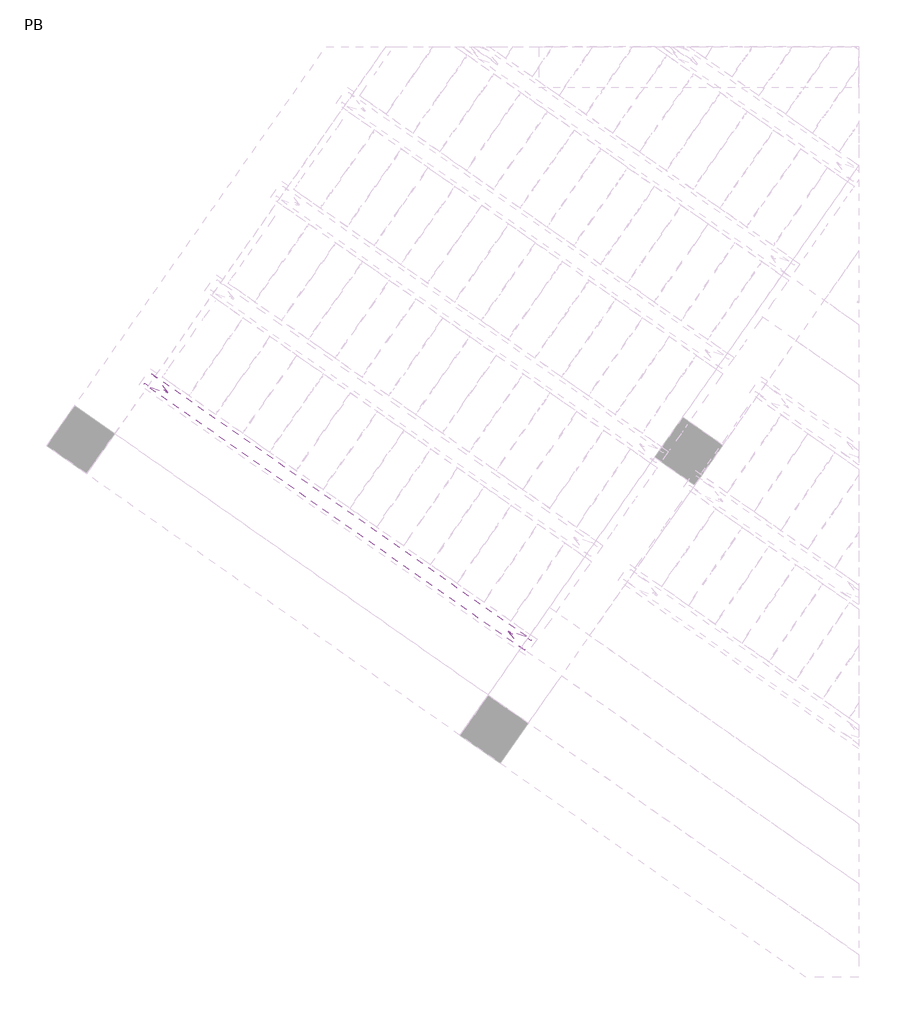
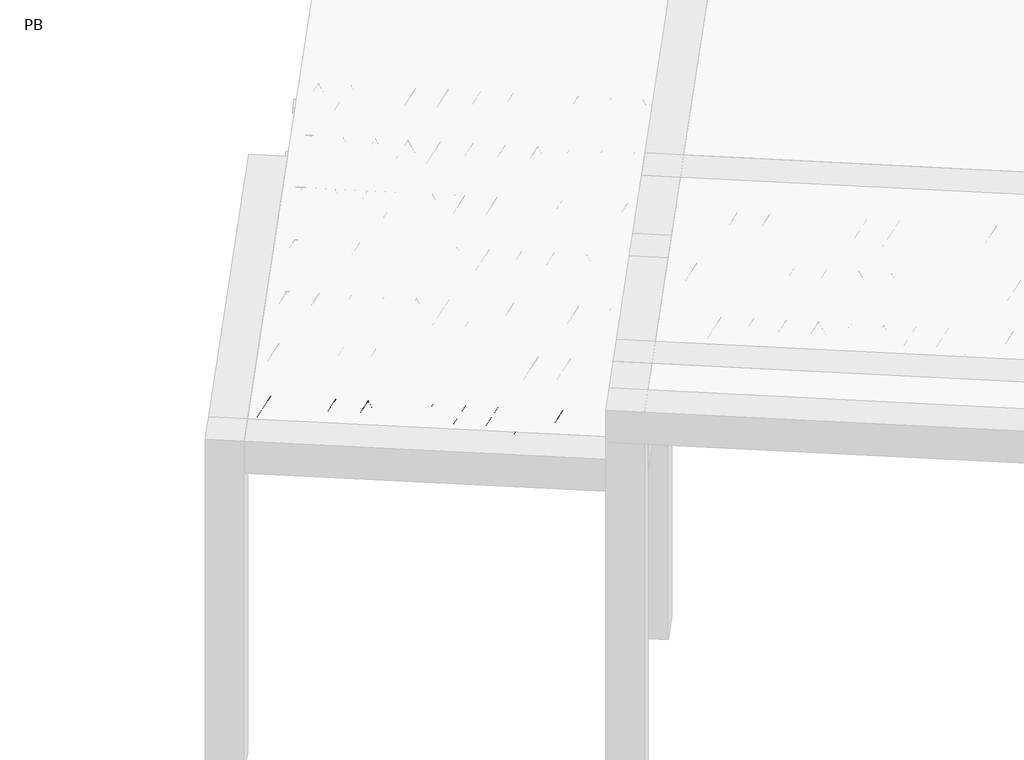
# One storey, part 5 of 56: 1 beam.
"""IFC4 building model written with IfcOpenShell, lengths in millimetres."""

from ifc_helpers import new_model, si_unit, point, frame, origin, origin_2d, place, context, project, spatial, circle_curve, trimmed, segment, composite_curve, outline, extrude, element, save

model = new_model("IFC4")

# Units and contexts
model_context = context("Model", 3, world=origin())
ifc_project = project(units=[si_unit("LENGTHUNIT", "METRE", prefix="MILLI")], contexts=[model_context])

# Site, building, storey
site = spatial("IfcSite", under=ifc_project)
building = spatial("IfcBuilding", under=site)
storey = spatial("IfcBuildingStorey", under=building, Name="PB", Elevation=95940.0)

# Beam
placement = place(None, origin())
element("IfcBeam", 1, at=placement, inside=storey, context=model_context, shape_type="SweptSolid", body=[
    extrude(outline(composite_curve([segment(trimmed(circle_curve(origin_2d(), 2.5), [point((-2.5, 0.0))], [point((2.5, 0.0))], False, "CARTESIAN"), True, "CONTINUOUS"), segment(trimmed(circle_curve(origin_2d(), 2.5), [point((2.5, 0.0))], [point((-2.5, 0.0))], False, "CARTESIAN"), True, "CONTINUOUS")], self_intersect=False)), frame((1142.5015794, 1048.6090142, 98785.0), z_axis=(-0.8191520442696126, 0.5735764363787226, 0.0), x_axis=(0.5735764363787226, 0.8191520442696126, 0.0)), (0.0, 0.0, 1.0), 2836.779327),
    extrude(outline(composite_curve([segment(trimmed(circle_curve(origin_2d(), 2.5), [point((-2.4999999, 0.0))], [point((2.5, 0.0))], False, "CARTESIAN"), True, "CONTINUOUS"), segment(trimmed(circle_curve(origin_2d(), 2.5), [point((2.5, 0.0))], [point((-2.4999999, 0.0))], False, "CARTESIAN"), True, "CONTINUOUS")], self_intersect=False)), frame((1066.1711962, 1146.0040091, 99010.0), z_axis=(-0.8191520442696126, 0.5735764363787226, 0.0), x_axis=(0.5735764363787226, 0.8191520442696126, 0.0)), (0.0, 0.0, 1.0), 2600.0),
    extrude(outline(composite_curve([segment(trimmed(circle_curve(origin_2d(), 2.5), [point((-2.5, 0.0))], [point((2.5, 1e-07))], False, "CARTESIAN"), True, "CONTINUOUS"), segment(trimmed(circle_curve(origin_2d(), 2.5), [point((2.5, 1e-07))], [point((-2.5, 0.0))], False, "CARTESIAN"), True, "CONTINUOUS")], self_intersect=False)), frame((1106.9588479, 1073.4963027, 98785.0), z_axis=(-0.3145304735701046, 0.38933448886848654, 0.8657304643902053), x_axis=(0.7778747638402499, 0.6284193279813057, 0.0)), (0.0, 0.0, 1.0), 259.8961331),
    extrude(outline(composite_curve([segment(trimmed(circle_curve(origin_2d(), 2.5), [point((2.5, 0.0))], [point((-2.5, 0.0))], False, "CARTESIAN"), True, "CONTINUOUS"), segment(trimmed(circle_curve(origin_2d(), 2.5), [point((-2.5, 0.0))], [point((2.5, 0.0))], False, "CARTESIAN"), True, "CONTINUOUS")], self_intersect=False)), frame((902.1708368, 1216.8904119, 98785.0), z_axis=(0.47343050384693375, -0.16240172737369005, 0.8657304643902051), x_axis=(-0.3244721671091268, -0.9458952440791246, 0.0)), (0.0, 0.0, 1.0), 259.8961331),
    extrude(outline(composite_curve([segment(trimmed(circle_curve(origin_2d(), 2.5), [point((-2.5, -1e-07))], [point((2.5, 0.0))], False, "CARTESIAN"), True, "CONTINUOUS"), segment(trimmed(circle_curve(origin_2d(), 2.5), [point((2.5, 0.0))], [point((-2.5, -1e-07))], False, "CARTESIAN"), True, "CONTINUOUS")], self_intersect=False)), frame((902.1708368, 1216.8904119, 98785.0), z_axis=(-0.3145304735701046, 0.38933448886848654, 0.8657304643902053), x_axis=(0.7778747638402499, 0.6284193279813057, 0.0)), (0.0, 0.0, 1.0), 259.8961331),
    extrude(outline(composite_curve([segment(trimmed(circle_curve(origin_2d(), 2.5), [point((2.5000001, 0.0))], [point((-2.5, 0.0))], False, "CARTESIAN"), True, "CONTINUOUS"), segment(trimmed(circle_curve(origin_2d(), 2.5), [point((-2.5, 0.0))], [point((2.5000001, 0.0))], False, "CARTESIAN"), True, "CONTINUOUS")], self_intersect=False)), frame((697.3828257, 1360.284521, 98785.0), z_axis=(0.47343050384693375, -0.16240172737369005, 0.8657304643902051), x_axis=(-0.3244721671091268, -0.9458952440791246, 0.0)), (0.0, 0.0, 1.0), 259.8961331),
    extrude(outline(composite_curve([segment(trimmed(circle_curve(origin_2d(), 2.5), [point((-2.5, -1e-07))], [point((2.5, 0.0))], False, "CARTESIAN"), True, "CONTINUOUS"), segment(trimmed(circle_curve(origin_2d(), 2.5), [point((2.5, 0.0))], [point((-2.5, -1e-07))], False, "CARTESIAN"), True, "CONTINUOUS")], self_intersect=False)), frame((697.3828257, 1360.284521, 98785.0), z_axis=(-0.3145304735701046, 0.38933448886848654, 0.8657304643902053), x_axis=(0.7778747638402499, 0.6284193279813057, 0.0)), (0.0, 0.0, 1.0), 259.8961331),
    extrude(outline(composite_curve([segment(trimmed(circle_curve(origin_2d(), 2.5), [point((2.5000001, 0.0))], [point((-2.5, 0.0))], False, "CARTESIAN"), True, "CONTINUOUS"), segment(trimmed(circle_curve(origin_2d(), 2.5), [point((-2.5, 0.0))], [point((2.5000001, 0.0))], False, "CARTESIAN"), True, "CONTINUOUS")], self_intersect=False)), frame((492.5948147, 1503.6786301, 98785.0), z_axis=(0.47343050384693375, -0.16240172737369005, 0.8657304643902051), x_axis=(-0.3244721671091268, -0.9458952440791246, 0.0)), (0.0, 0.0, 1.0), 259.8961331),
    extrude(outline(composite_curve([segment(trimmed(circle_curve(origin_2d(), 2.5), [point((-2.5000001, 0.0))], [point((2.5, 0.0))], False, "CARTESIAN"), True, "CONTINUOUS"), segment(trimmed(circle_curve(origin_2d(), 2.5), [point((2.5, 0.0))], [point((-2.5000001, 0.0))], False, "CARTESIAN"), True, "CONTINUOUS")], self_intersect=False)), frame((492.5948147, 1503.6786301, 98785.0), z_axis=(-0.3145304735701046, 0.38933448886848654, 0.8657304643902053), x_axis=(0.7778747638402499, 0.6284193279813057, 0.0)), (0.0, 0.0, 1.0), 259.8961331),
    extrude(outline(composite_curve([segment(trimmed(circle_curve(origin_2d(), 2.5), [point((2.5, 0.0))], [point((-2.5000001, 0.0))], False, "CARTESIAN"), True, "CONTINUOUS"), segment(trimmed(circle_curve(origin_2d(), 2.5), [point((-2.5000001, 0.0))], [point((2.5, 0.0))], False, "CARTESIAN"), True, "CONTINUOUS")], self_intersect=False)), frame((287.8068036, 1647.0727391, 98785.0), z_axis=(0.47343050384693375, -0.16240172737369005, 0.8657304643902051), x_axis=(-0.3244721671091268, -0.9458952440791246, 0.0)), (0.0, 0.0, 1.0), 259.8961331),
    extrude(outline(composite_curve([segment(trimmed(circle_curve(origin_2d(), 2.5), [point((-2.5, -1e-07))], [point((2.5, 0.0))], False, "CARTESIAN"), True, "CONTINUOUS"), segment(trimmed(circle_curve(origin_2d(), 2.5), [point((2.5, 0.0))], [point((-2.5, -1e-07))], False, "CARTESIAN"), True, "CONTINUOUS")], self_intersect=False)), frame((287.806804, 1647.0727389, 98785.0), z_axis=(-0.3145304735701046, 0.38933448886848654, 0.8657304643902053), x_axis=(0.7778747638402499, 0.6284193279813057, 0.0)), (0.0, 0.0, 1.0), 259.8961331),
    extrude(outline(composite_curve([segment(trimmed(circle_curve(origin_2d(), 2.5), [point((2.5000001, 0.0))], [point((-2.5, 1e-07))], False, "CARTESIAN"), True, "CONTINUOUS"), segment(trimmed(circle_curve(origin_2d(), 2.5), [point((-2.5, 1e-07))], [point((2.5000001, 0.0))], False, "CARTESIAN"), True, "CONTINUOUS")], self_intersect=False)), frame((83.0187929, 1790.466848, 98785.0), z_axis=(0.47343050384693375, -0.16240172737369005, 0.8657304643902051), x_axis=(-0.3244721671091268, -0.9458952440791246, 0.0)), (0.0, 0.0, 1.0), 259.8961331),
    extrude(outline(composite_curve([segment(trimmed(circle_curve(origin_2d(), 2.5), [point((-2.5, -1e-07))], [point((2.5, 0.0))], False, "CARTESIAN"), True, "CONTINUOUS"), segment(trimmed(circle_curve(origin_2d(), 2.5), [point((2.5, 0.0))], [point((-2.5, -1e-07))], False, "CARTESIAN"), True, "CONTINUOUS")], self_intersect=False)), frame((83.0187929, 1790.466848, 98785.0), z_axis=(-0.3145304735701046, 0.38933448886848654, 0.8657304643902053), x_axis=(0.7778747638402499, 0.6284193279813057, 0.0)), (0.0, 0.0, 1.0), 259.8961331),
    extrude(outline(composite_curve([segment(trimmed(circle_curve(origin_2d(), 2.5), [point((2.5000001, 0.0))], [point((-2.5, 0.0))], False, "CARTESIAN"), True, "CONTINUOUS"), segment(trimmed(circle_curve(origin_2d(), 2.5), [point((-2.5, 0.0))], [point((2.5000001, 0.0))], False, "CARTESIAN"), True, "CONTINUOUS")], self_intersect=False)), frame((-121.7692181, 1933.8609571, 98785.0), z_axis=(0.47343050384693375, -0.16240172737369005, 0.8657304643902051), x_axis=(-0.3244721671091268, -0.9458952440791246, 0.0)), (0.0, 0.0, 1.0), 259.8961331),
    extrude(outline(composite_curve([segment(trimmed(circle_curve(origin_2d(), 2.5), [point((-2.5, -1e-07))], [point((2.5, 0.0))], False, "CARTESIAN"), True, "CONTINUOUS"), segment(trimmed(circle_curve(origin_2d(), 2.5), [point((2.5, 0.0))], [point((-2.5, -1e-07))], False, "CARTESIAN"), True, "CONTINUOUS")], self_intersect=False)), frame((-121.7692181, 1933.8609571, 98785.0), z_axis=(-0.3145304735701046, 0.38933448886848654, 0.8657304643902053), x_axis=(0.7778747638402499, 0.6284193279813057, 0.0)), (0.0, 0.0, 1.0), 259.8961331),
    extrude(outline(composite_curve([segment(trimmed(circle_curve(origin_2d(), 2.5), [point((2.5, 0.0))], [point((-2.5000001, 0.0))], False, "CARTESIAN"), True, "CONTINUOUS"), segment(trimmed(circle_curve(origin_2d(), 2.5), [point((-2.5000001, 0.0))], [point((2.5, 0.0))], False, "CARTESIAN"), True, "CONTINUOUS")], self_intersect=False)), frame((-326.5572292, 2077.2550661, 98785.0), z_axis=(0.47343050384693375, -0.16240172737369005, 0.8657304643902051), x_axis=(-0.3244721671091268, -0.9458952440791246, 0.0)), (0.0, 0.0, 1.0), 259.8961331),
    extrude(outline(composite_curve([segment(trimmed(circle_curve(origin_2d(), 2.5), [point((-2.5, 0.0))], [point((2.5, 1e-07))], False, "CARTESIAN"), True, "CONTINUOUS"), segment(trimmed(circle_curve(origin_2d(), 2.5), [point((2.5, 1e-07))], [point((-2.5, 0.0))], False, "CARTESIAN"), True, "CONTINUOUS")], self_intersect=False)), frame((-326.5572292, 2077.2550661, 98785.0), z_axis=(-0.3145304735701046, 0.38933448886848654, 0.8657304643902053), x_axis=(0.7778747638402499, 0.6284193279813057, 0.0)), (0.0, 0.0, 1.0), 259.8961331),
    extrude(outline(composite_curve([segment(trimmed(circle_curve(origin_2d(), 2.5), [point((2.5, 0.0))], [point((-2.5000001, 0.0))], False, "CARTESIAN"), True, "CONTINUOUS"), segment(trimmed(circle_curve(origin_2d(), 2.5), [point((-2.5000001, 0.0))], [point((2.5, 0.0))], False, "CARTESIAN"), True, "CONTINUOUS")], self_intersect=False)), frame((-531.3452403, 2220.6491752, 98785.0), z_axis=(0.47343050384693375, -0.16240172737369005, 0.8657304643902051), x_axis=(-0.3244721671091268, -0.9458952440791246, 0.0)), (0.0, 0.0, 1.0), 259.8961331),
    extrude(outline(composite_curve([segment(trimmed(circle_curve(origin_2d(), 2.5), [point((-2.5, 0.0))], [point((2.5, 1e-07))], False, "CARTESIAN"), True, "CONTINUOUS"), segment(trimmed(circle_curve(origin_2d(), 2.5), [point((2.5, 1e-07))], [point((-2.5, 0.0))], False, "CARTESIAN"), True, "CONTINUOUS")], self_intersect=False)), frame((-531.3452403, 2220.6491752, 98785.0), z_axis=(-0.3145304735701046, 0.38933448886848654, 0.8657304643902053), x_axis=(0.7778747638402499, 0.6284193279813057, 0.0)), (0.0, 0.0, 1.0), 259.8961331),
    extrude(outline(composite_curve([segment(trimmed(circle_curve(origin_2d(), 2.5), [point((2.5, -1e-07))], [point((-2.5, 0.0))], False, "CARTESIAN"), True, "CONTINUOUS"), segment(trimmed(circle_curve(origin_2d(), 2.5), [point((-2.5, 0.0))], [point((2.5, -1e-07))], False, "CARTESIAN"), True, "CONTINUOUS")], self_intersect=False)), frame((-736.1332513, 2364.0432843, 98785.0), z_axis=(0.47343050384693375, -0.16240172737369005, 0.8657304643902051), x_axis=(-0.3244721671091268, -0.9458952440791246, 0.0)), (0.0, 0.0, 1.0), 259.8961331),
    extrude(outline(composite_curve([segment(trimmed(circle_curve(origin_2d(), 2.5), [point((-2.5, 0.0))], [point((2.5, 1e-07))], False, "CARTESIAN"), True, "CONTINUOUS"), segment(trimmed(circle_curve(origin_2d(), 2.5), [point((2.5, 1e-07))], [point((-2.5, 0.0))], False, "CARTESIAN"), True, "CONTINUOUS")], self_intersect=False)), frame((-736.1332513, 2364.0432843, 98785.0), z_axis=(-0.3145304735701046, 0.38933448886848654, 0.8657304643902053), x_axis=(0.7778747638402499, 0.6284193279813057, 0.0)), (0.0, 0.0, 1.0), 259.8961331),
    extrude(outline(composite_curve([segment(trimmed(circle_curve(origin_2d(), 2.5), [point((2.5, 0.0))], [point((-2.5, 0.0))], False, "CARTESIAN"), True, "CONTINUOUS"), segment(trimmed(circle_curve(origin_2d(), 2.5), [point((-2.5, 0.0))], [point((2.5, 0.0))], False, "CARTESIAN"), True, "CONTINUOUS")], self_intersect=False)), frame((-940.9212624, 2507.4373934, 98785.0), z_axis=(0.47343050384693375, -0.16240172737369005, 0.8657304643902051), x_axis=(-0.3244721671091268, -0.9458952440791246, 0.0)), (0.0, 0.0, 1.0), 259.8961331),
    extrude(outline(composite_curve([segment(trimmed(circle_curve(origin_2d(), 2.5), [point((-2.5, 0.0))], [point((2.5, 1e-07))], False, "CARTESIAN"), True, "CONTINUOUS"), segment(trimmed(circle_curve(origin_2d(), 2.5), [point((2.5, 1e-07))], [point((-2.5, 0.0))], False, "CARTESIAN"), True, "CONTINUOUS")], self_intersect=False)), frame((-940.9212624, 2507.4373934, 98785.0), z_axis=(-0.3145304735701046, 0.38933448886848654, 0.8657304643902053), x_axis=(0.7778747638402499, 0.6284193279813057, 0.0)), (0.0, 0.0, 1.0), 259.8961331),
    extrude(outline(composite_curve([segment(trimmed(circle_curve(origin_2d(), 2.5), [point((2.5, 0.0))], [point((-2.5, 0.0))], False, "CARTESIAN"), True, "CONTINUOUS"), segment(trimmed(circle_curve(origin_2d(), 2.5), [point((-2.5, 0.0))], [point((2.5, 0.0))], False, "CARTESIAN"), True, "CONTINUOUS")], self_intersect=False)), frame((-1145.7092735, 2650.8315025, 98785.0), z_axis=(0.47343050384693375, -0.16240172737369005, 0.8657304643902051), x_axis=(-0.3244721671091268, -0.9458952440791246, 0.0)), (0.0, 0.0, 1.0), 259.8961331),
    extrude(outline(composite_curve([segment(trimmed(circle_curve(origin_2d(), 2.5), [point((-2.5, 0.0))], [point((2.5, 0.0))], False, "CARTESIAN"), True, "CONTINUOUS"), segment(trimmed(circle_curve(origin_2d(), 2.5), [point((2.5, 0.0))], [point((-2.5, 0.0))], False, "CARTESIAN"), True, "CONTINUOUS")], self_intersect=False)), frame((1183.7990828, 1107.5879614, 98785.0), z_axis=(-0.8191520442696126, 0.5735764363787226, 0.0), x_axis=(0.5735764363787226, 0.8191520442696126, 0.0)), (0.0, 0.0, 1.0), 2836.779327),
    extrude(outline(composite_curve([segment(trimmed(circle_curve(origin_2d(), 2.5), [point((-2.5, 0.0))], [point((2.5, 0.0))], False, "CARTESIAN"), True, "CONTINUOUS"), segment(trimmed(circle_curve(origin_2d(), 2.5), [point((2.5, 0.0))], [point((-2.5, 0.0))], False, "CARTESIAN"), True, "CONTINUOUS")], self_intersect=False)), frame((1148.2563513, 1132.4752499, 98785.0), z_axis=(-0.47343050384693375, 0.16240172737369005, 0.8657304643902051), x_axis=(0.3244721671091268, 0.9458952440791246, 0.0)), (0.0, 0.0, 1.0), 259.8961331),
    extrude(outline(composite_curve([segment(trimmed(circle_curve(origin_2d(), 2.5), [point((2.5, 1e-07))], [point((-2.5, 0.0))], False, "CARTESIAN"), True, "CONTINUOUS"), segment(trimmed(circle_curve(origin_2d(), 2.5), [point((-2.5, 0.0))], [point((2.5, 1e-07))], False, "CARTESIAN"), True, "CONTINUOUS")], self_intersect=False)), frame((943.4683402, 1275.8693591, 98785.0), z_axis=(0.3145304735701046, -0.38933448886848654, 0.8657304643902053), x_axis=(-0.7778747638402499, -0.6284193279813057, 0.0)), (0.0, 0.0, 1.0), 259.8961331),
    extrude(outline(composite_curve([segment(trimmed(circle_curve(origin_2d(), 2.5), [point((-2.5000001, 0.0))], [point((2.5, 0.0))], False, "CARTESIAN"), True, "CONTINUOUS"), segment(trimmed(circle_curve(origin_2d(), 2.5), [point((2.5, 0.0))], [point((-2.5000001, 0.0))], False, "CARTESIAN"), True, "CONTINUOUS")], self_intersect=False)), frame((943.4683402, 1275.8693591, 98785.0), z_axis=(-0.47343050384693375, 0.16240172737369005, 0.8657304643902051), x_axis=(0.3244721671091268, 0.9458952440791246, 0.0)), (0.0, 0.0, 1.0), 259.8961331),
    extrude(outline(composite_curve([segment(trimmed(circle_curve(origin_2d(), 2.5), [point((2.5, 0.0))], [point((-2.5000001, 0.0))], False, "CARTESIAN"), True, "CONTINUOUS"), segment(trimmed(circle_curve(origin_2d(), 2.5), [point((-2.5000001, 0.0))], [point((2.5, 0.0))], False, "CARTESIAN"), True, "CONTINUOUS")], self_intersect=False)), frame((738.6803291, 1419.2634681, 98785.0), z_axis=(0.3145304735701046, -0.38933448886848654, 0.8657304643902053), x_axis=(-0.7778747638402499, -0.6284193279813057, 0.0)), (0.0, 0.0, 1.0), 259.8961331),
    extrude(outline(composite_curve([segment(trimmed(circle_curve(origin_2d(), 2.5), [point((-2.5, 0.0))], [point((2.5000001, 0.0))], False, "CARTESIAN"), True, "CONTINUOUS"), segment(trimmed(circle_curve(origin_2d(), 2.5), [point((2.5000001, 0.0))], [point((-2.5, 0.0))], False, "CARTESIAN"), True, "CONTINUOUS")], self_intersect=False)), frame((738.6803291, 1419.2634681, 98785.0), z_axis=(-0.47343050384693375, 0.16240172737369005, 0.8657304643902051), x_axis=(0.3244721671091268, 0.9458952440791246, 0.0)), (0.0, 0.0, 1.0), 259.8961331),
    extrude(outline(composite_curve([segment(trimmed(circle_curve(origin_2d(), 2.5), [point((2.5, 0.0))], [point((-2.5, -1e-07))], False, "CARTESIAN"), True, "CONTINUOUS"), segment(trimmed(circle_curve(origin_2d(), 2.5), [point((-2.5, -1e-07))], [point((2.5, 0.0))], False, "CARTESIAN"), True, "CONTINUOUS")], self_intersect=False)), frame((533.8923181, 1562.6575772, 98785.0), z_axis=(0.3145304735701046, -0.38933448886848654, 0.8657304643902053), x_axis=(-0.7778747638402499, -0.6284193279813057, 0.0)), (0.0, 0.0, 1.0), 259.8961331),
    extrude(outline(composite_curve([segment(trimmed(circle_curve(origin_2d(), 2.5), [point((-2.5, 0.0))], [point((2.5000001, 0.0))], False, "CARTESIAN"), True, "CONTINUOUS"), segment(trimmed(circle_curve(origin_2d(), 2.5), [point((2.5000001, 0.0))], [point((-2.5, 0.0))], False, "CARTESIAN"), True, "CONTINUOUS")], self_intersect=False)), frame((533.8923181, 1562.6575772, 98785.0), z_axis=(-0.47343050384693375, 0.16240172737369005, 0.8657304643902051), x_axis=(0.3244721671091268, 0.9458952440791246, 0.0)), (0.0, 0.0, 1.0), 259.8961331),
    extrude(outline(composite_curve([segment(trimmed(circle_curve(origin_2d(), 2.5), [point((2.5, 0.0))], [point((-2.5, -1e-07))], False, "CARTESIAN"), True, "CONTINUOUS"), segment(trimmed(circle_curve(origin_2d(), 2.5), [point((-2.5, -1e-07))], [point((2.5, 0.0))], False, "CARTESIAN"), True, "CONTINUOUS")], self_intersect=False)), frame((329.104307, 1706.0516863, 98785.0), z_axis=(0.3145304735701046, -0.38933448886848654, 0.8657304643902053), x_axis=(-0.7778747638402499, -0.6284193279813057, 0.0)), (0.0, 0.0, 1.0), 259.8961331),
    extrude(outline(composite_curve([segment(trimmed(circle_curve(origin_2d(), 2.5), [point((-2.5000001, 0.0))], [point((2.5, 0.0))], False, "CARTESIAN"), True, "CONTINUOUS"), segment(trimmed(circle_curve(origin_2d(), 2.5), [point((2.5, 0.0))], [point((-2.5000001, 0.0))], False, "CARTESIAN"), True, "CONTINUOUS")], self_intersect=False)), frame((329.1043074, 1706.0516861, 98785.0), z_axis=(-0.47343050384693375, 0.16240172737369005, 0.8657304643902051), x_axis=(0.3244721671091268, 0.9458952440791246, 0.0)), (0.0, 0.0, 1.0), 259.8961331),
    extrude(outline(composite_curve([segment(trimmed(circle_curve(origin_2d(), 2.5), [point((2.5000001, -1e-07))], [point((-2.5, -1e-07))], False, "CARTESIAN"), True, "CONTINUOUS"), segment(trimmed(circle_curve(origin_2d(), 2.5), [point((-2.5, -1e-07))], [point((2.5000001, -1e-07))], False, "CARTESIAN"), True, "CONTINUOUS")], self_intersect=False)), frame((124.3162964, 1849.4457951, 98785.0), z_axis=(0.3145304735701046, -0.38933448886848654, 0.8657304643902053), x_axis=(-0.7778747638402499, -0.6284193279813057, 0.0)), (0.0, 0.0, 1.0), 259.8961331),
    extrude(outline(composite_curve([segment(trimmed(circle_curve(origin_2d(), 2.5), [point((-2.5, 0.0))], [point((2.5000001, 0.0))], False, "CARTESIAN"), True, "CONTINUOUS"), segment(trimmed(circle_curve(origin_2d(), 2.5), [point((2.5000001, 0.0))], [point((-2.5, 0.0))], False, "CARTESIAN"), True, "CONTINUOUS")], self_intersect=False)), frame((124.3162963, 1849.4457951, 98785.0), z_axis=(-0.47343050384693375, 0.16240172737369005, 0.8657304643902051), x_axis=(0.3244721671091268, 0.9458952440791246, 0.0)), (0.0, 0.0, 1.0), 259.8961331),
    extrude(outline(composite_curve([segment(trimmed(circle_curve(origin_2d(), 2.5), [point((2.5, 0.0))], [point((-2.5, -1e-07))], False, "CARTESIAN"), True, "CONTINUOUS"), segment(trimmed(circle_curve(origin_2d(), 2.5), [point((-2.5, -1e-07))], [point((2.5, 0.0))], False, "CARTESIAN"), True, "CONTINUOUS")], self_intersect=False)), frame((-80.4717147, 1992.8399042, 98785.0), z_axis=(0.3145304735701046, -0.38933448886848654, 0.8657304643902053), x_axis=(-0.7778747638402499, -0.6284193279813057, 0.0)), (0.0, 0.0, 1.0), 259.8961331),
    extrude(outline(composite_curve([segment(trimmed(circle_curve(origin_2d(), 2.5), [point((-2.5, 0.0))], [point((2.5, 0.0))], False, "CARTESIAN"), True, "CONTINUOUS"), segment(trimmed(circle_curve(origin_2d(), 2.5), [point((2.5, 0.0))], [point((-2.5, 0.0))], False, "CARTESIAN"), True, "CONTINUOUS")], self_intersect=False)), frame((-80.4717147, 1992.8399042, 98785.0), z_axis=(-0.47343050384693375, 0.16240172737369005, 0.8657304643902051), x_axis=(0.3244721671091268, 0.9458952440791246, 0.0)), (0.0, 0.0, 1.0), 259.8961331),
    extrude(outline(composite_curve([segment(trimmed(circle_curve(origin_2d(), 2.5), [point((2.5, 0.0))], [point((-2.5, -1e-07))], False, "CARTESIAN"), True, "CONTINUOUS"), segment(trimmed(circle_curve(origin_2d(), 2.5), [point((-2.5, -1e-07))], [point((2.5, 0.0))], False, "CARTESIAN"), True, "CONTINUOUS")], self_intersect=False)), frame((-285.2597258, 2136.2340133, 98785.0), z_axis=(0.3145304735701046, -0.38933448886848654, 0.8657304643902053), x_axis=(-0.7778747638402499, -0.6284193279813057, 0.0)), (0.0, 0.0, 1.0), 259.8961331),
    extrude(outline(composite_curve([segment(trimmed(circle_curve(origin_2d(), 2.5), [point((-2.5, 0.0))], [point((2.5, 0.0))], False, "CARTESIAN"), True, "CONTINUOUS"), segment(trimmed(circle_curve(origin_2d(), 2.5), [point((2.5, 0.0))], [point((-2.5, 0.0))], False, "CARTESIAN"), True, "CONTINUOUS")], self_intersect=False)), frame((-285.2597258, 2136.2340133, 98785.0), z_axis=(-0.47343050384693375, 0.16240172737369005, 0.8657304643902051), x_axis=(0.3244721671091268, 0.9458952440791246, 0.0)), (0.0, 0.0, 1.0), 259.8961331),
    extrude(outline(composite_curve([segment(trimmed(circle_curve(origin_2d(), 2.5), [point((2.5, 0.0))], [point((-2.5000001, 1e-07))], False, "CARTESIAN"), True, "CONTINUOUS"), segment(trimmed(circle_curve(origin_2d(), 2.5), [point((-2.5000001, 1e-07))], [point((2.5, 0.0))], False, "CARTESIAN"), True, "CONTINUOUS")], self_intersect=False)), frame((-490.0477369, 2279.6281224, 98785.0), z_axis=(0.3145304735701046, -0.38933448886848654, 0.8657304643902053), x_axis=(-0.7778747638402499, -0.6284193279813057, 0.0)), (0.0, 0.0, 1.0), 259.8961331),
    extrude(outline(composite_curve([segment(trimmed(circle_curve(origin_2d(), 2.5), [point((-2.5, 0.0))], [point((2.5, -1e-07))], False, "CARTESIAN"), True, "CONTINUOUS"), segment(trimmed(circle_curve(origin_2d(), 2.5), [point((2.5, -1e-07))], [point((-2.5, 0.0))], False, "CARTESIAN"), True, "CONTINUOUS")], self_intersect=False)), frame((-490.0477369, 2279.6281224, 98785.0), z_axis=(-0.47343050384693375, 0.16240172737369005, 0.8657304643902051), x_axis=(0.3244721671091268, 0.9458952440791246, 0.0)), (0.0, 0.0, 1.0), 259.8961331),
    extrude(outline(composite_curve([segment(trimmed(circle_curve(origin_2d(), 2.5), [point((2.5, 0.0))], [point((-2.5, 0.0))], False, "CARTESIAN"), True, "CONTINUOUS"), segment(trimmed(circle_curve(origin_2d(), 2.5), [point((-2.5, 0.0))], [point((2.5, 0.0))], False, "CARTESIAN"), True, "CONTINUOUS")], self_intersect=False)), frame((-694.8357479, 2423.0222315, 98785.0), z_axis=(0.3145304735701046, -0.38933448886848654, 0.8657304643902053), x_axis=(-0.7778747638402499, -0.6284193279813057, 0.0)), (0.0, 0.0, 1.0), 259.8961331),
    extrude(outline(composite_curve([segment(trimmed(circle_curve(origin_2d(), 2.5), [point((-2.5, 0.0))], [point((2.5, 0.0))], False, "CARTESIAN"), True, "CONTINUOUS"), segment(trimmed(circle_curve(origin_2d(), 2.5), [point((2.5, 0.0))], [point((-2.5, 0.0))], False, "CARTESIAN"), True, "CONTINUOUS")], self_intersect=False)), frame((-694.8357479, 2423.0222315, 98785.0), z_axis=(-0.47343050384693375, 0.16240172737369005, 0.8657304643902051), x_axis=(0.3244721671091268, 0.9458952440791246, 0.0)), (0.0, 0.0, 1.0), 259.8961331),
    extrude(outline(composite_curve([segment(trimmed(circle_curve(origin_2d(), 2.5), [point((2.5, 0.0))], [point((-2.5, 0.0))], False, "CARTESIAN"), True, "CONTINUOUS"), segment(trimmed(circle_curve(origin_2d(), 2.5), [point((-2.5, 0.0))], [point((2.5, 0.0))], False, "CARTESIAN"), True, "CONTINUOUS")], self_intersect=False)), frame((-899.623759, 2566.4163406, 98785.0), z_axis=(0.3145304735701046, -0.38933448886848654, 0.8657304643902053), x_axis=(-0.7778747638402499, -0.6284193279813057, 0.0)), (0.0, 0.0, 1.0), 259.8961331),
    extrude(outline(composite_curve([segment(trimmed(circle_curve(origin_2d(), 2.5), [point((-2.5, 0.0))], [point((2.5, 0.0))], False, "CARTESIAN"), True, "CONTINUOUS"), segment(trimmed(circle_curve(origin_2d(), 2.5), [point((2.5, 0.0))], [point((-2.5, 0.0))], False, "CARTESIAN"), True, "CONTINUOUS")], self_intersect=False)), frame((-899.623759, 2566.4163406, 98785.0), z_axis=(-0.47343050384693375, 0.16240172737369005, 0.8657304643902051), x_axis=(0.3244721671091268, 0.9458952440791246, 0.0)), (0.0, 0.0, 1.0), 259.8961331),
    extrude(outline(composite_curve([segment(trimmed(circle_curve(origin_2d(), 2.5), [point((2.5, 0.0))], [point((-2.5000001, 1e-07))], False, "CARTESIAN"), True, "CONTINUOUS"), segment(trimmed(circle_curve(origin_2d(), 2.5), [point((-2.5000001, 1e-07))], [point((2.5, 0.0))], False, "CARTESIAN"), True, "CONTINUOUS")], self_intersect=False)), frame((-1104.4117701, 2709.8104497, 98785.0), z_axis=(0.3145304735701046, -0.38933448886848654, 0.8657304643902053), x_axis=(-0.7778747638402499, -0.6284193279813057, 0.0)), (0.0, 0.0, 1.0), 259.8961331),
])

save(model, "model.ifc")
